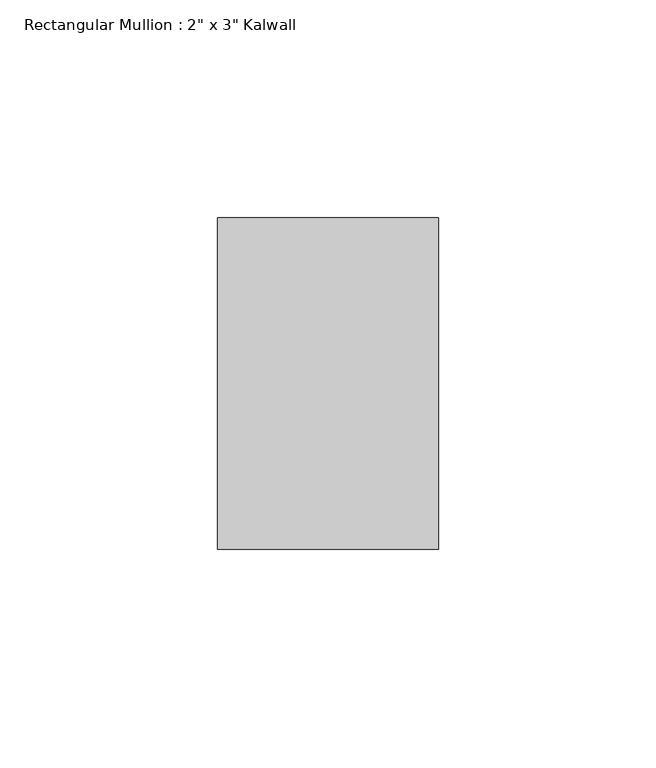
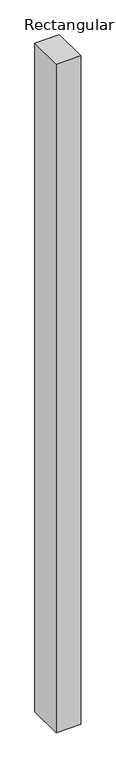
"""IFC4 building model written with IfcOpenShell, lengths in millimetres: member geometry."""

from ifc_helpers import new_model, si_unit, frame, origin, place, context, project, spatial, polyline, outline, extrude, source, transform, mapped, element, save


def member_2b8c11ec(model_context):
    return source(origin(), model_context, "Body", "SweptSolid", [
        extrude(outline(polyline([(0.0, 0.0), (0.0, -76.2), (-50.8, -76.2), (-50.8, 0.0), (0.0, 0.0)])), frame((0.0, 0.0, -1467.5555556), z_axis=(0.0, 0.0, 1.0), x_axis=(1.0, 0.0, 0.0)), (0.0, 0.0, 1.0), 1467.5555556),
    ])


if __name__ == "__main__":
    model = new_model("IFC4")
    model_context = context("Model", 3, world=origin())
    ifc_project = project(units=[si_unit("LENGTHUNIT", "METRE", prefix="MILLI")], contexts=[model_context])
    site = spatial("IfcSite", under=ifc_project)
    building = spatial("IfcBuilding", under=site)
    placement = place(None, origin())
    member_shape = member_2b8c11ec(model_context)
    element("IfcMember", 1, ObjectType="Rectangular Mullion : 2\" x 3\" Kalwall", at=placement, inside=building, context=model_context, shape_type="MappedRepresentation", body=[
        mapped(member_shape, transform((0.0, 0.0, 0.0), x_axis=(1.0, 0.0, 0.0), y_axis=(0.0, 1.0, 0.0), z_axis=(0.0, 0.0, 1.0))),
    ])
    save(model, "model.ifc")
